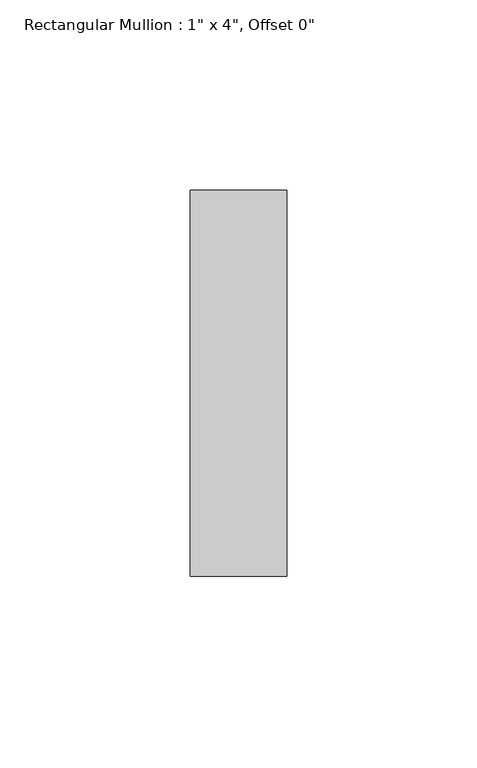
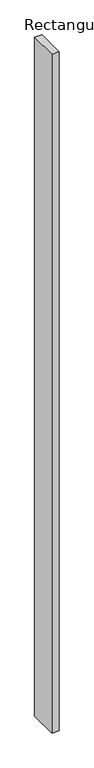
"""IFC4 building model written with IfcOpenShell, lengths in millimetres: member geometry."""

from ifc_helpers import new_model, si_unit, frame, origin, place, context, project, spatial, polyline, outline, extrude, source, transform, mapped, element, save


def member_a2627084(model_context):
    return source(origin(), model_context, "Body", "SweptSolid", [
        extrude(outline(polyline([(12.7, 50.8), (12.7, -50.8), (-12.7, -50.8), (-12.7, 50.8), (12.7, 50.8)])), frame((0.0, 0.0, -2459.5666667), z_axis=(0.0, 0.0, 1.0), x_axis=(1.0, 0.0, 0.0)), (0.0, 0.0, 1.0), 2459.5666667),
    ])


if __name__ == "__main__":
    model = new_model("IFC4")
    model_context = context("Model", 3, world=origin())
    ifc_project = project(units=[si_unit("LENGTHUNIT", "METRE", prefix="MILLI")], contexts=[model_context])
    site = spatial("IfcSite", under=ifc_project)
    building = spatial("IfcBuilding", under=site)
    placement = place(None, origin())
    member_shape = member_a2627084(model_context)
    element("IfcMember", 1, ObjectType="Rectangular Mullion : 1\" x 4\", Offset 0\"", at=placement, inside=building, context=model_context, shape_type="MappedRepresentation", body=[
        mapped(member_shape, transform((0.0, 0.0, 0.0), x_axis=(1.0, 0.0, 0.0), y_axis=(0.0, 1.0, 0.0), z_axis=(0.0, 0.0, 1.0))),
    ])
    save(model, "model.ifc")
